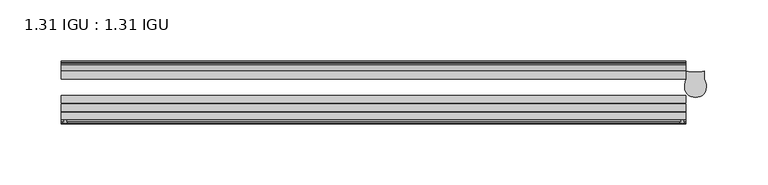
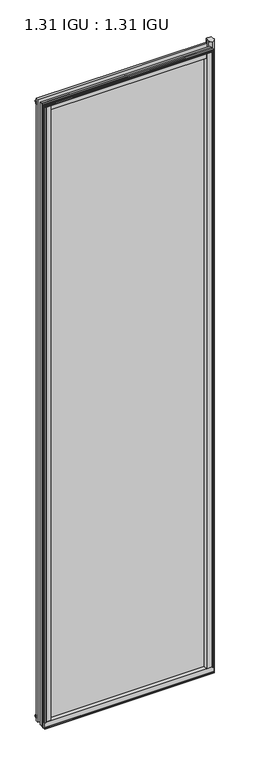
"""IFC4 building model written with IfcOpenShell, lengths in millimetres: plate geometry, 1.31 IGU : 1.31 IGU."""

from ifc_helpers import new_model, si_unit, point, frame, frame_2d, origin, origin_with_axes, place, context, project, spatial, polyline, circle_curve, ellipse_curve, trimmed, segment, composite_curve, outline, extrude, source, transform, mapped, element, save
from ifc_brep_helpers import plane_surface, cylinder_surface, revolved_surface, extruded_surface, advanced_brep


def plate_1_31_igu_1_31_igu_218341b4(model_context):
    return source(origin(), model_context, "Body", "SolidModel", [
        advanced_brep(
        [(210.0958847, -39.3432088, 1974.8372998), (218.9178075, -31.0522938, 1974.8372998), (217.458925, -24.3085938, 1974.8372998), (217.458925, -17.9585938, 1974.8372998), (210.0958847, -18.9109532, 1974.8372998), (202.7328445, -17.9585938, 1974.8372998), (202.7328445, -24.3085938, 1974.8372998), (201.273962, -31.0522938, 1974.8372998), (210.0958847, -39.3432088, -31.7372998), (201.273962, -31.0522938, -31.7372998), (202.7328445, -24.3085938, -31.7372998), (202.7328445, -17.9585938, -31.7372998), (210.0958847, -18.9109532, -31.7372998), (217.458925, -17.9585938, -31.7372998), (217.458925, -24.3085938, -31.7372998), (218.9178075, -31.0522938, -31.7372998)],
        [
            (0, 1, ellipse_curve(frame((210.825326, -31.0522938, 1974.8372998), z_axis=(0.0, 0.0, 1.0), x_axis=(0.0, 1.0, 0.0)), 8.3248031, 8.0924815)),
            (1, 2, circle_curve(frame((202.6019537, -31.0522938, 1974.8372998), z_axis=(0.0, 0.0, 1.0), x_axis=(0.0, 1.0, 0.0)), 16.3158538)),
            (2, 3),
            (3, 4, circle_curve(frame((210.0958847, 10.0284087, 1974.8372998), z_axis=(0.0, 0.0, -1.0), x_axis=(0.0, 1.0, 0.0)), 28.9393619)),
            (4, 5, circle_curve(frame((210.0958847, 10.0284087, 1974.8372998), z_axis=(0.0, 0.0, -1.0), x_axis=(0.0, 1.0, 0.0)), 28.9393619)),
            (5, 6),
            (6, 7, circle_curve(frame((217.5898158, -31.0522938, 1974.8372998), z_axis=(0.0, 0.0, 1.0), x_axis=(0.0, 1.0, 0.0)), 16.3158538)),
            (7, 0, ellipse_curve(frame((209.3664435, -31.0522938, 1974.8372998), z_axis=(0.0, 0.0, 1.0), x_axis=(0.0, 1.0, 0.0)), 8.3248031, 8.0924815)),
            (8, 9, ellipse_curve(frame((209.3664435, -31.0522938, -31.7372998), z_axis=(0.0, 0.0, -1.0), x_axis=(0.0, 1.0, 0.0)), 8.3248031, 8.0924815)),
            (9, 10, circle_curve(frame((217.5898158, -31.0522938, -31.7372998), z_axis=(0.0, 0.0, -1.0), x_axis=(0.0, 1.0, 0.0)), 16.3158538)),
            (10, 11),
            (11, 12, circle_curve(frame((210.0958847, 10.0284087, -31.7372998), z_axis=(0.0, 0.0, 1.0), x_axis=(0.0, 1.0, 0.0)), 28.9393619)),
            (12, 13, circle_curve(frame((210.0958847, 10.0284087, -31.7372998), z_axis=(0.0, 0.0, 1.0), x_axis=(0.0, 1.0, 0.0)), 28.9393619)),
            (13, 14),
            (14, 15, circle_curve(frame((202.6019537, -31.0522938, -31.7372998), z_axis=(0.0, 0.0, -1.0), x_axis=(0.0, 1.0, 0.0)), 16.3158538)),
            (15, 8, ellipse_curve(frame((210.825326, -31.0522938, -31.7372998), z_axis=(0.0, 0.0, -1.0), x_axis=(0.0, 1.0, 0.0)), 8.3248031, 8.0924815)),
            (0, 8),
            (15, 1),
            (14, 2),
            (13, 3),
            (12, 4),
            (11, 5),
            (10, 6),
            (9, 7),
        ],
        [
            plane_surface(frame((288.909125, -11.6085938, 1974.8372998), z_axis=(0.0, 0.0, 1.0), x_axis=(0.0, 1.0, 0.0))),
            plane_surface(frame((288.909125, -11.6085938, -31.7372998), z_axis=(0.0, 0.0, -1.0), x_axis=(0.0, 1.0, 0.0))),
            extruded_surface(trimmed(ellipse_curve(frame((210.825326, -31.0522938, -31.7372998), z_axis=(0.0, 0.0, 1.0), x_axis=(0.0, 1.0, 0.0)), 8.3248031, 8.0924815), [point((210.0958847, -39.3432088, -31.7372998))], [point((218.9178075, -31.0522938, -31.7372998))], True, "CARTESIAN"), (0.0, 0.0, 2006.5745996), 2006.5745996),
            cylinder_surface(frame((202.6019537, -31.0522938, 1974.8372998), z_axis=(0.0, 0.0, 1.0), x_axis=(0.0, 1.0, 0.0)), 16.3158538),
            plane_surface(frame((217.458925, -24.3085938, 1974.8372998), z_axis=(1.0, 0.0, 0.0), x_axis=(0.0, 0.0, -1.0))),
            revolved_surface(polyline([(210.0958847, 38.9677706, -31.737299800000073), (210.0958847, 38.9677706, 1974.8372998)]), (210.0958847, 10.0284087, 1974.8372998), (0.0, 0.0, -1.0)),
            plane_surface(frame((202.7328445, -17.9585938, 1974.8372998), z_axis=(-1.0, 0.0, 0.0), x_axis=(0.0, 0.0, -1.0))),
            cylinder_surface(frame((217.5898158, -31.0522938, 1974.8372998), z_axis=(0.0, 0.0, 1.0), x_axis=(0.0, 1.0, 0.0)), 16.3158538),
            extruded_surface(trimmed(ellipse_curve(frame((209.3664435, -31.0522938, -31.7372998), z_axis=(0.0, 0.0, 1.0), x_axis=(0.0, 1.0, 0.0)), 8.3248031, 8.0924815), [point((201.273962, -31.0522938, -31.7372998))], [point((210.0958847, -39.3432088, -31.7372998))], True, "CARTESIAN"), (0.0, 0.0, 2006.5745996), 2006.5745996),
        ],
        [
            (0, [[1, 2, 3, 4, 5, 6, 7, 8]]),
            (1, [[9, 10, 11, 12, 13, 14, 15, 16]]),
            (2, [[-1, 17, -16, 18]]),
            (3, [[-2, -18, -15, 19]]),
            (4, [[-3, -19, -14, 20]]),
            (5, [[-4, -20, -13, 21]]),
            (5, [[-5, -21, -12, 22]]),
            (6, [[-6, -22, -11, 23]]),
            (7, [[-7, -23, -10, 24]]),
            (8, [[-8, -24, -9, -17]]),
        ],
    ),
        extrude(outline(composite_curve([segment(polyline([(197.9376219, -57.6333938), (181.752875, -57.6333938)]), True, "CONTINUOUS"), segment(trimmed(circle_curve(frame_2d((174.4581458, -57.6547678)), 7.2947605), [point((181.752875, -57.6333938))], [point((178.0104864, -51.2833938))], True, "CARTESIAN"), True, "CONTINUOUS"), segment(polyline([(178.0104864, -51.2833938), (200.8809073, -51.2833938)]), True, "CONTINUOUS"), segment(trimmed(circle_curve(frame_2d((200.8809073, -52.0707938)), 0.7874), [point((200.8809073, -51.2833938))], [point((201.6624381, -51.9748338))], False, "CARTESIAN"), True, "CONTINUOUS"), segment(polyline([(201.6624381, -51.9748338), (202.3572219, -57.6333938), (200.4268219, -57.6333938), (199.9696219, -59.624458), (200.9709838, -59.3561439), (201.2142219, -60.263921), (199.1822219, -60.8083938), (197.1502219, -60.263921), (197.39346, -59.3561439), (198.3948219, -59.624458), (197.9376219, -57.6333938)]), True, "CONTINUOUS")], self_intersect=False)), origin_with_axes(), (0.0, 0.0, 1.0), 1962.15),
        extrude(outline(composite_curve([segment(polyline([(-287.321625, -57.6333937), (-303.5063719, -57.6333937), (-303.9635719, -59.624458), (-302.96221, -59.3561439), (-302.7189719, -60.263921), (-304.7509719, -60.8083937), (-306.7829719, -60.263921), (-306.5397338, -59.3561439), (-305.5383719, -59.624458), (-305.9955719, -57.6333937), (-307.9259719, -57.6333937), (-307.2311881, -51.9748338)]), True, "CONTINUOUS"), segment(trimmed(circle_curve(frame_2d((-306.4496573, -52.0707937)), 0.7874), [point((-307.2311881, -51.9748338))], [point((-306.4496573, -51.2833937))], False, "CARTESIAN"), True, "CONTINUOUS"), segment(polyline([(-306.4496573, -51.2833937), (-283.5792364, -51.2833937)]), True, "CONTINUOUS"), segment(trimmed(circle_curve(frame_2d((-280.0268958, -57.6547678)), 7.2947605), [point((-283.5792364, -51.2833937))], [point((-287.321625, -57.6333937))], True, "CARTESIAN"), True, "CONTINUOUS")], self_intersect=False)), origin_with_axes(), (0.0, 0.0, 1.0), 1962.15),
        extrude(outline(polyline([(-9.7543937, -6.8579998), (-10.4009552, -9.2709998), (-11.2596632, -9.0409097), (-10.8839895, -7.6388763), (-13.1833937, -8.3819998), (-13.1833937, -11.7850089), (-17.9585937, -10.1533914), (-17.9585937, 0.6595133), (-13.1833937, -0.5079998), (-13.1833937, -5.4609998), (-10.8839895, -6.0771233), (-11.2596632, -4.6750899), (-10.4009552, -4.4449998), (-9.7543937, -6.8579998)])), frame((-307.959125, 0.0, 0.0), z_axis=(1.0, 0.0, 0.0), x_axis=(0.0, 1.0, 0.0)), (0.0, 0.0, 1.0), 510.3495),
        extrude(outline(composite_curve([segment(polyline([(-51.9748338, -19.930016), (-57.6333937, -20.6247998), (-57.6333937, -18.6943998), (-59.624458, -18.2371998), (-59.3561439, -19.2385617), (-60.263921, -19.4817998), (-60.8083937, -17.4497998), (-60.263921, -15.4177998), (-59.3561439, -15.6610379), (-59.624458, -16.6623998), (-57.6333937, -16.2051998), (-57.6333937, 0.0127002)]), True, "CONTINUOUS"), segment(trimmed(circle_curve(frame_2d((-58.1588233, 7.9620141)), 7.9666598), [point((-57.6333937, 0.0127002))], [point((-51.2833937, 3.9375717))], True, "CARTESIAN"), True, "CONTINUOUS"), segment(polyline([(-51.2833937, 3.9375717), (-51.2833937, -19.1484852)]), True, "CONTINUOUS"), segment(trimmed(circle_curve(frame_2d((-52.0707937, -19.1484852)), 0.7874), [point((-51.2833937, -19.1484852))], [point((-51.9748338, -19.930016))], False, "CARTESIAN"), True, "CONTINUOUS")], self_intersect=False)), frame((-307.959125, 0.0, 0.0), z_axis=(1.0, 0.0, 0.0), x_axis=(0.0, 1.0, 0.0)), (0.0, 0.0, 1.0), 510.3495),
        extrude(outline(polyline([(-17.9585937, 1953.2533914), (-13.1833937, 1954.8850089), (-13.1833937, 1951.4819998), (-10.8839895, 1950.7388763), (-11.2596632, 1952.1409097), (-10.4009552, 1952.3709998), (-9.7543937, 1949.9579998), (-10.4009552, 1947.5449998), (-11.2596632, 1947.7750899), (-10.8839895, 1949.1771233), (-13.1833937, 1948.5609998), (-13.1833937, 1943.6079998), (-17.9585937, 1942.4404867), (-17.9585937, 1953.2533914)])), frame((-307.959125, 0.0, 0.0), z_axis=(1.0, 0.0, 0.0), x_axis=(0.0, 1.0, 0.0)), (0.0, 0.0, 1.0), 510.3495),
        extrude(outline(composite_curve([segment(trimmed(circle_curve(frame_2d((-52.0707937, 1962.2484852)), 0.7874), [point((-51.9748338, 1963.030016))], [point((-51.2833937, 1962.2484852))], False, "CARTESIAN"), True, "CONTINUOUS"), segment(polyline([(-51.2833937, 1962.2484852), (-51.2833937, 1939.1624283)]), True, "CONTINUOUS"), segment(trimmed(circle_curve(frame_2d((-58.1588233, 1935.1379859)), 7.9666598), [point((-51.2833937, 1939.1624283))], [point((-57.6333937, 1943.0872998))], True, "CARTESIAN"), True, "CONTINUOUS"), segment(polyline([(-57.6333937, 1943.0872998), (-57.6333937, 1959.3051998), (-59.624458, 1959.7623998), (-59.3561439, 1958.7610379), (-60.263921, 1958.5177998), (-60.8083937, 1960.5497998), (-60.263921, 1962.5817998), (-59.3561439, 1962.3385617), (-59.624458, 1961.3371998), (-57.6333937, 1961.7943998), (-57.6333937, 1963.7247998), (-51.9748338, 1963.030016)]), True, "CONTINUOUS")], self_intersect=False)), frame((-307.959125, 0.0, 0.0), z_axis=(1.0, 0.0, 0.0), x_axis=(0.0, 1.0, 0.0)), (0.0, 0.0, 1.0), 510.3495),
        extrude(outline(polyline([(-296.5480013, -10.8839895), (-297.9500347, -11.2596632), (-298.1801248, -10.4009552), (-295.7671248, -9.7543937), (-293.3541248, -10.4009552), (-293.5842149, -11.2596632), (-294.9862483, -10.8839895), (-294.3701248, -13.1833937), (-289.4171248, -13.1833937), (-288.2496117, -17.9585937), (-299.0625164, -17.9585937), (-300.6941339, -13.1833937), (-297.2911248, -13.1833937), (-296.5480013, -10.8839895)])), origin_with_axes(), (0.0, 0.0, 1.0), 1943.1),
        extrude(outline(polyline([(202.390375, -17.9585937), (202.390375, -24.3085937), (-307.959125, -24.3085937), (-307.959125, -17.9585937), (202.390375, -17.9585937)])), frame((0.0, 0.0, -19.0372998), z_axis=(0.0, 0.0, 1.0), x_axis=(1.0, 0.0, 0.0)), (0.0, 0.0, 1.0), 1981.1872998),
        extrude(outline(polyline([(-307.959125, -44.1459937), (-307.959125, -37.7959937), (202.390375, -37.7959937), (202.390375, -44.1459937), (-307.959125, -44.1459937)])), frame((0.0, 0.0, -19.0372998), z_axis=(0.0, 0.0, 1.0), x_axis=(1.0, 0.0, 0.0)), (0.0, 0.0, 1.0), 1981.1872998),
        extrude(outline(polyline([(-307.959125, -51.2833937), (-307.959125, -44.9333937), (202.390375, -44.9333937), (202.390375, -51.2833937), (-307.959125, -51.2833937)])), frame((0.0, 0.0, -19.0372998), z_axis=(0.0, 0.0, 1.0), x_axis=(1.0, 0.0, 0.0)), (0.0, 0.0, 1.0), 1981.1872998),
    ])


if __name__ == "__main__":
    model = new_model("IFC4")
    model_context = context("Model", 3, world=origin())
    ifc_project = project(units=[si_unit("LENGTHUNIT", "METRE", prefix="MILLI")], contexts=[model_context])
    site = spatial("IfcSite", under=ifc_project)
    building = spatial("IfcBuilding", under=site)
    placement = place(None, origin())
    plate_1_31_igu_1_31_igu_shape = plate_1_31_igu_1_31_igu_218341b4(model_context)
    element("IfcPlate", 1, ObjectType="1.31 IGU : 1.31 IGU", at=placement, inside=building, context=model_context, shape_type="MappedRepresentation", body=[
        mapped(plate_1_31_igu_1_31_igu_shape, transform((0.0, 0.0, 0.0), x_axis=(1.0, 0.0, 0.0), y_axis=(0.0, 1.0, 0.0), z_axis=(0.0, 0.0, 1.0))),
    ])
    save(model, "model.ifc")
